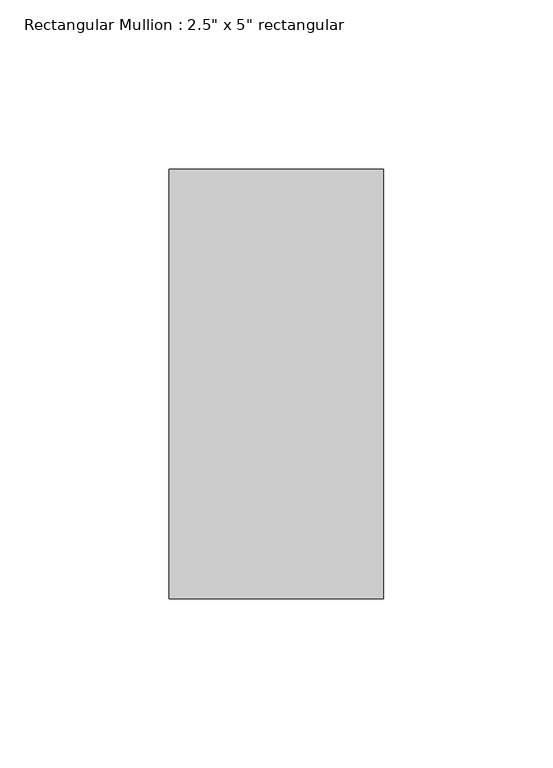
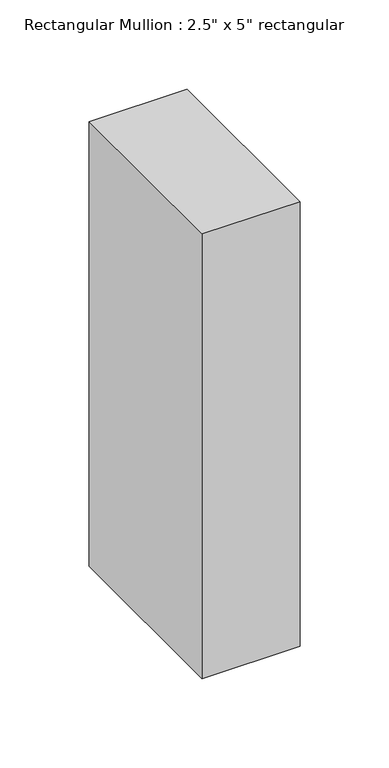
"""IFC4 building model written with IfcOpenShell, lengths in millimetres: member geometry."""

from ifc_helpers import new_model, si_unit, frame, origin, place, context, project, spatial, polyline, outline, extrude, source, transform, mapped, element, save


def member_3c3dc66a(model_context):
    return source(origin(), model_context, "Body", "SweptSolid", [
        extrude(outline(polyline([(0.0, 63.5), (0.0, -63.5), (-63.5, -63.5), (-63.5, 63.5), (0.0, 63.5)])), frame((0.0, 0.0, -304.8), z_axis=(0.0, 0.0, 1.0), x_axis=(1.0, 0.0, 0.0)), (0.0, 0.0, 1.0), 304.8),
    ])


if __name__ == "__main__":
    model = new_model("IFC4")
    model_context = context("Model", 3, world=origin())
    ifc_project = project(units=[si_unit("LENGTHUNIT", "METRE", prefix="MILLI")], contexts=[model_context])
    site = spatial("IfcSite", under=ifc_project)
    building = spatial("IfcBuilding", under=site)
    placement = place(None, origin())
    member_shape = member_3c3dc66a(model_context)
    element("IfcMember", 1, ObjectType="Rectangular Mullion : 2.5\" x 5\" rectangular", at=placement, inside=building, context=model_context, shape_type="MappedRepresentation", body=[
        mapped(member_shape, transform((0.0, 0.0, 0.0), x_axis=(1.0, 0.0, 0.0), y_axis=(0.0, 1.0, 0.0), z_axis=(0.0, 0.0, 1.0))),
    ])
    save(model, "model.ifc")
